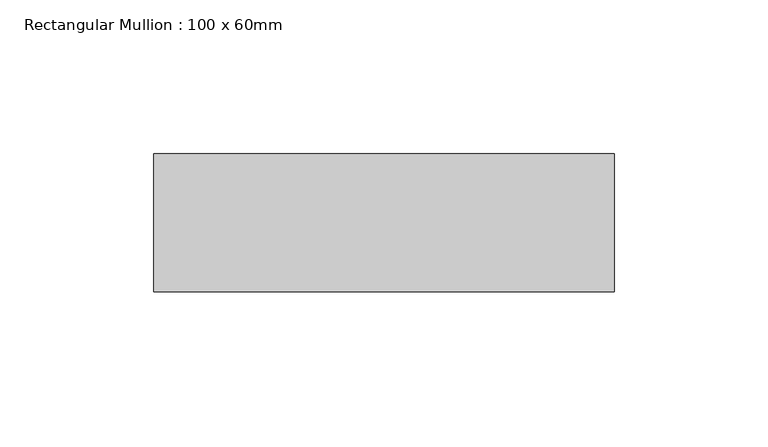
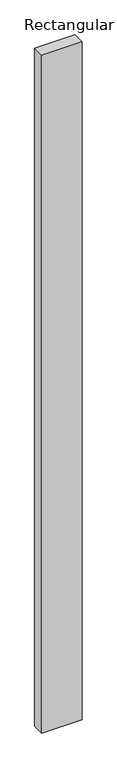
"""IFC4 building model written with IfcOpenShell, lengths in millimetres: member geometry, Rectangular Mullion : 100 x 60mm."""

from ifc_helpers import new_model, si_unit, frame, origin, place, context, project, spatial, polyline, outline, extrude, source, transform, mapped, element, save


def rectangular_mullion_100_x_60mm_e546a16c(model_context):
    return source(origin(), model_context, "Body", "SweptSolid", [
        extrude(outline(polyline([(-150.0, -30.0), (-150.0, 15.0), (0.0, 15.0), (0.0, -30.0), (-150.0, -30.0)])), frame((0.0, 0.0, -2666.6666667), z_axis=(0.0, 0.0, 1.0), x_axis=(1.0, 0.0, 0.0)), (0.0, 0.0, 1.0), 2666.6666667),
    ])


if __name__ == "__main__":
    model = new_model("IFC4")
    model_context = context("Model", 3, world=origin())
    ifc_project = project(units=[si_unit("LENGTHUNIT", "METRE", prefix="MILLI")], contexts=[model_context])
    site = spatial("IfcSite", under=ifc_project)
    building = spatial("IfcBuilding", under=site)
    placement = place(None, origin())
    rectangular_mullion_100_x_60mm_shape = rectangular_mullion_100_x_60mm_e546a16c(model_context)
    element("IfcMember", 1, ObjectType="Rectangular Mullion : 100 x 60mm", at=placement, inside=building, context=model_context, shape_type="MappedRepresentation", body=[
        mapped(rectangular_mullion_100_x_60mm_shape, transform((0.0, 0.0, 0.0), x_axis=(1.0, 0.0, 0.0), y_axis=(0.0, 1.0, 0.0), z_axis=(0.0, 0.0, 1.0))),
    ])
    save(model, "model.ifc")
